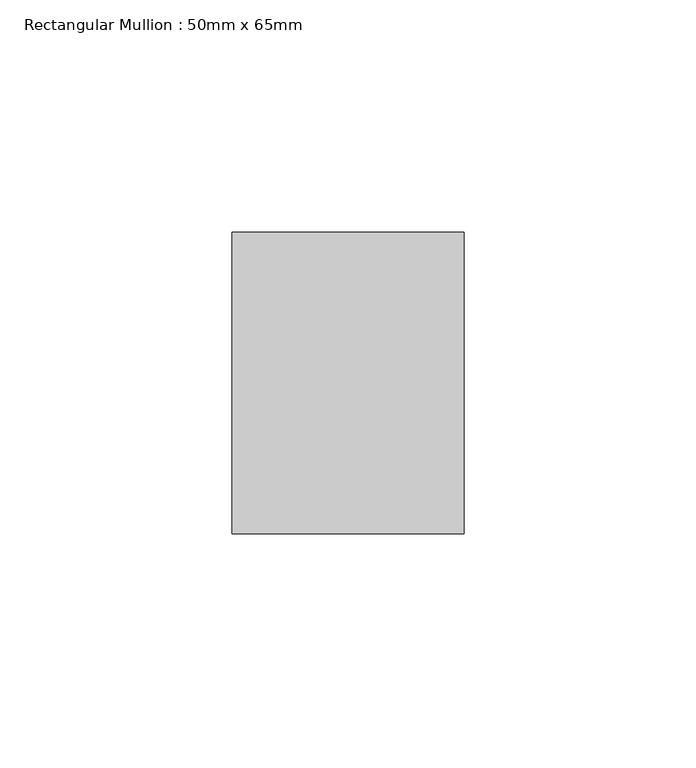
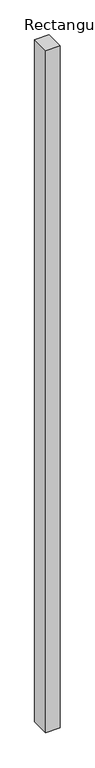
"""IFC4 building model written with IfcOpenShell, lengths in millimetres: member geometry, Rectangular Mullion : 50mm x 65mm."""

from ifc_helpers import new_model, si_unit, frame, origin, place, context, project, spatial, polyline, outline, extrude, source, transform, mapped, element, save


def rectangular_mullion_50mm_x_65mm_405a8667(model_context):
    return source(origin(), model_context, "Body", "SweptSolid", [
        extrude(outline(polyline([(25.0, 32.5), (25.0, -32.5), (-25.0, -32.5), (-25.0, 32.5), (25.0, 32.5)])), frame((0.0, 0.0, -2478.0256401), z_axis=(0.0, 0.0, 1.0), x_axis=(1.0, 0.0, 0.0)), (0.0, 0.0, 1.0), 2478.0256401),
    ])


if __name__ == "__main__":
    model = new_model("IFC4")
    model_context = context("Model", 3, world=origin())
    ifc_project = project(units=[si_unit("LENGTHUNIT", "METRE", prefix="MILLI")], contexts=[model_context])
    site = spatial("IfcSite", under=ifc_project)
    building = spatial("IfcBuilding", under=site)
    placement = place(None, origin())
    rectangular_mullion_50mm_x_65mm_shape = rectangular_mullion_50mm_x_65mm_405a8667(model_context)
    element("IfcMember", 1, ObjectType="Rectangular Mullion : 50mm x 65mm", at=placement, inside=building, context=model_context, shape_type="MappedRepresentation", body=[
        mapped(rectangular_mullion_50mm_x_65mm_shape, transform((0.0, 0.0, 0.0), x_axis=(1.0, 0.0, 0.0), y_axis=(0.0, 1.0, 0.0), z_axis=(0.0, 0.0, 1.0))),
    ])
    save(model, "model.ifc")
